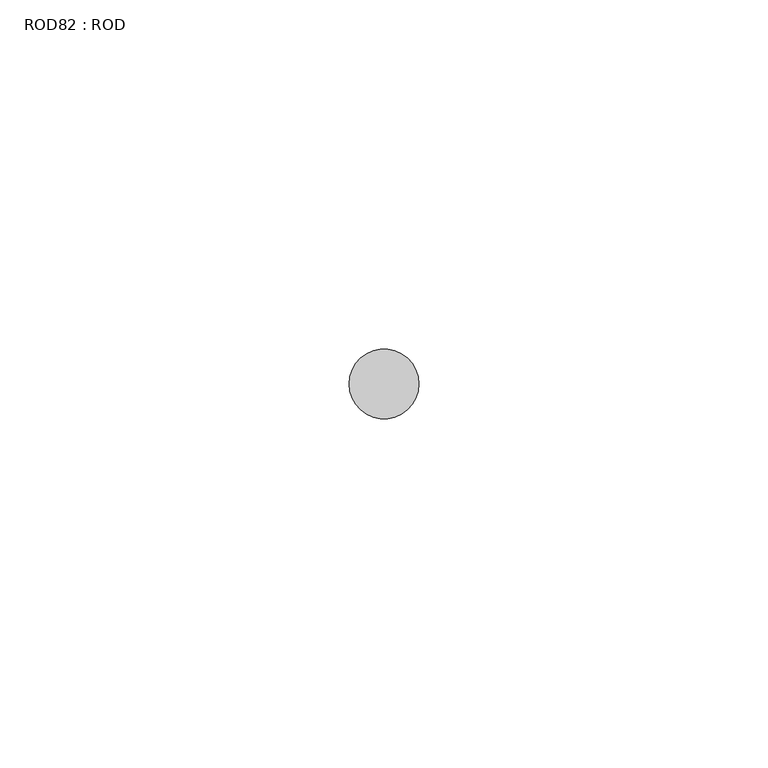
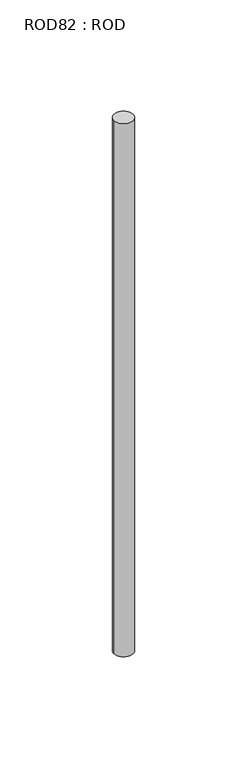
"""IFC4 building model written with IfcOpenShell, lengths in millimetres: proxy geometry, ROD82 : ROD."""

from ifc_helpers import new_model, si_unit, point, frame, frame_2d, origin, place, context, project, spatial, circle_curve, trimmed, segment, composite_curve, outline, extrude, source, transform, mapped, element, save


def rod82_rod_e3156211(model_context):
    return source(origin(), model_context, "Body", "SweptSolid", [
        extrude(outline(composite_curve([segment(trimmed(circle_curve(frame_2d((8699.7673324, -10466.6028424)), 5.0), [point((8694.7673324, -10466.6028424))], [point((8704.7673324, -10466.6028424))], False, "CARTESIAN"), True, "CONTINUOUS"), segment(trimmed(circle_curve(frame_2d((8699.7673324, -10466.6028424)), 5.0), [point((8704.7673324, -10466.6028424))], [point((8694.7673324, -10466.6028424))], False, "CARTESIAN"), True, "CONTINUOUS")], self_intersect=False)), frame((0.0, 0.0, -108.6608845), z_axis=(0.0, 0.0, 1.0), x_axis=(1.0, 0.0, 0.0)), (0.0, 0.0, 1.0), 298.9028972),
    ])


if __name__ == "__main__":
    model = new_model("IFC4")
    model_context = context("Model", 3, world=origin())
    ifc_project = project(units=[si_unit("LENGTHUNIT", "METRE", prefix="MILLI")], contexts=[model_context])
    site = spatial("IfcSite", under=ifc_project)
    building = spatial("IfcBuilding", under=site)
    placement = place(None, origin())
    rod82_rod_shape = rod82_rod_e3156211(model_context)
    element("IfcBuildingElementProxy", 1, Name="ROD82 : ROD", ObjectType="ROD82 : ROD", at=placement, inside=building, context=model_context, shape_type="MappedRepresentation", body=[
        mapped(rod82_rod_shape, transform((0.0, 0.0, 0.0), x_axis=(1.0, 0.0, 0.0), y_axis=(0.0, 1.0, 0.0), z_axis=(0.0, 0.0, 1.0))),
    ])
    save(model, "model.ifc")
